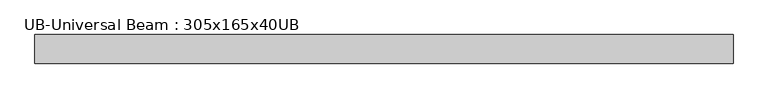
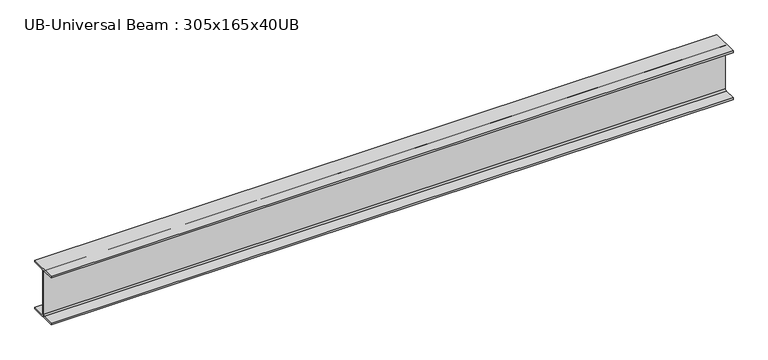
"""IFC4 building model written with IfcOpenShell, lengths in millimetres: beam geometry, UB-Universal Beam : 305x165x40UB."""

from ifc_helpers import new_model, si_unit, point, frame, frame_2d, origin, place, context, project, spatial, polyline, circle_curve, trimmed, segment, composite_curve, outline, extrude, source, transform, mapped, element, save


def ub_universal_beam_305x165x40ub_dea05674(model_context):
    return source(origin(), model_context, "Body", "SweptSolid", [
        extrude(outline(composite_curve([segment(polyline([(82.5, -141.5), (82.5, -151.7), (-82.5, -151.7), (-82.5, -141.5), (-11.9, -141.5)]), True, "CONTINUOUS"), segment(trimmed(circle_curve(frame_2d((-11.9, -132.6)), 8.9), [point((-11.9, -141.5))], [point((-3.0, -132.6))], True, "CARTESIAN"), True, "CONTINUOUS"), segment(polyline([(-3.0, -132.6), (-3.0, 132.6)]), True, "CONTINUOUS"), segment(trimmed(circle_curve(frame_2d((-11.9, 132.6)), 8.9), [point((-3.0, 132.6))], [point((-11.9, 141.5))], True, "CARTESIAN"), True, "CONTINUOUS"), segment(polyline([(-11.9, 141.5), (-82.5, 141.5), (-82.5, 151.7), (82.5, 151.7), (82.5, 141.5), (11.9, 141.5)]), True, "CONTINUOUS"), segment(trimmed(circle_curve(frame_2d((11.9, 132.6)), 8.9), [point((11.9, 141.5))], [point((3.0, 132.6))], True, "CARTESIAN"), True, "CONTINUOUS"), segment(polyline([(3.0, 132.6), (3.0, -132.6)]), True, "CONTINUOUS"), segment(trimmed(circle_curve(frame_2d((11.9, -132.6)), 8.9), [point((3.0, -132.6))], [point((11.9, -141.5))], True, "CARTESIAN"), True, "CONTINUOUS"), segment(polyline([(11.9, -141.5), (82.5, -141.5)]), True, "CONTINUOUS")], self_intersect=False)), frame((-2013.7, 0.0, 0.0), z_axis=(1.0, 0.0, 0.0), x_axis=(0.0, 1.0, 0.0)), (0.0, 0.0, 1.0), 4027.4),
    ])


if __name__ == "__main__":
    model = new_model("IFC4")
    model_context = context("Model", 3, world=origin())
    ifc_project = project(units=[si_unit("LENGTHUNIT", "METRE", prefix="MILLI")], contexts=[model_context])
    site = spatial("IfcSite", under=ifc_project)
    building = spatial("IfcBuilding", under=site)
    placement = place(None, origin())
    ub_universal_beam_305x165x40ub_shape = ub_universal_beam_305x165x40ub_dea05674(model_context)
    element("IfcBeam", 1, ObjectType="UB-Universal Beam : 305x165x40UB", at=placement, inside=building, context=model_context, shape_type="MappedRepresentation", body=[
        mapped(ub_universal_beam_305x165x40ub_shape, transform((0.0, 0.0, 0.0), x_axis=(1.0, 0.0, 0.0), y_axis=(0.0, 1.0, 0.0), z_axis=(0.0, 0.0, 1.0))),
    ])
    save(model, "model.ifc")
